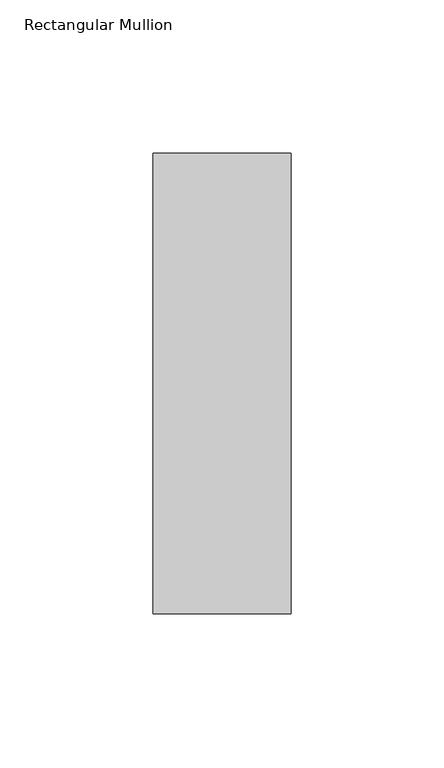
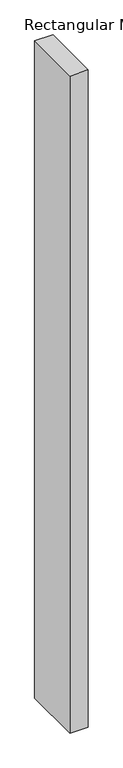
"""IFC4 building model written with IfcOpenShell, lengths in millimetres: member geometry, Rectangular Mullion."""

from ifc_helpers import new_model, si_unit, frame, origin, place, context, project, spatial, polyline, outline, extrude, source, transform, mapped, element, save


def rectangular_mullion_970688cd(model_context):
    return source(origin(), model_context, "Body", "SweptSolid", [
        extrude(outline(polyline([(22.5, 110.7), (22.5, -39.7), (-22.5, -39.7), (-22.5, 110.7), (22.5, 110.7)])), frame((0.0, 0.0, -1708.8912252), z_axis=(0.0, 0.0, 1.0), x_axis=(1.0, 0.0, 0.0)), (0.0, 0.0, 1.0), 1708.8912252),
    ])


if __name__ == "__main__":
    model = new_model("IFC4")
    model_context = context("Model", 3, world=origin())
    ifc_project = project(units=[si_unit("LENGTHUNIT", "METRE", prefix="MILLI")], contexts=[model_context])
    site = spatial("IfcSite", under=ifc_project)
    building = spatial("IfcBuilding", under=site)
    placement = place(None, origin())
    rectangular_mullion_shape = rectangular_mullion_970688cd(model_context)
    element("IfcMember", 1, ObjectType="Rectangular Mullion", at=placement, inside=building, context=model_context, shape_type="MappedRepresentation", body=[
        mapped(rectangular_mullion_shape, transform((0.0, 0.0, 0.0), x_axis=(1.0, 0.0, 0.0), y_axis=(0.0, 1.0, 0.0), z_axis=(0.0, 0.0, 1.0))),
    ])
    save(model, "model.ifc")
